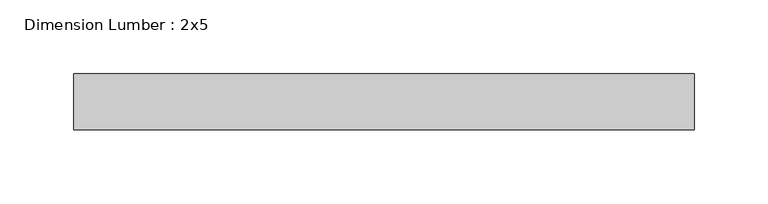
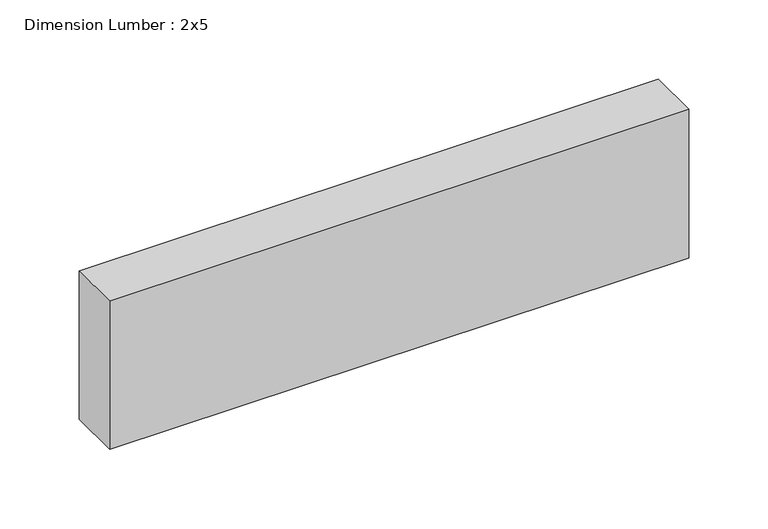
"""IFC4 building model written with IfcOpenShell, lengths in millimetres: beam geometry, Dimension Lumber : 2x5."""

from ifc_helpers import new_model, si_unit, frame, origin, place, context, project, spatial, polyline, outline, extrude, source, transform, mapped, element, save


def dimension_lumber_2x5_fb0314ac(model_context):
    return source(origin(), model_context, "Body", "SweptSolid", [
        extrude(outline(polyline([(213.0350974, 19.05), (213.0350974, -19.05), (-207.7115736, -19.05), (-207.7115736, 19.05), (213.0350974, 19.05)])), frame((0.0, 0.0, -57.15), z_axis=(0.0, 0.0, 1.0), x_axis=(1.0, 0.0, 0.0)), (0.0, 0.0, 1.0), 114.3),
    ])


if __name__ == "__main__":
    model = new_model("IFC4")
    model_context = context("Model", 3, world=origin())
    ifc_project = project(units=[si_unit("LENGTHUNIT", "METRE", prefix="MILLI")], contexts=[model_context])
    site = spatial("IfcSite", under=ifc_project)
    building = spatial("IfcBuilding", under=site)
    placement = place(None, origin())
    dimension_lumber_2x5_shape = dimension_lumber_2x5_fb0314ac(model_context)
    element("IfcBeam", 1, ObjectType="Dimension Lumber : 2x5", at=placement, inside=building, context=model_context, shape_type="MappedRepresentation", body=[
        mapped(dimension_lumber_2x5_shape, transform((0.0, 0.0, 0.0), x_axis=(1.0, 0.0, 0.0), y_axis=(0.0, 1.0, 0.0), z_axis=(0.0, 0.0, 1.0))),
    ])
    save(model, "model.ifc")
